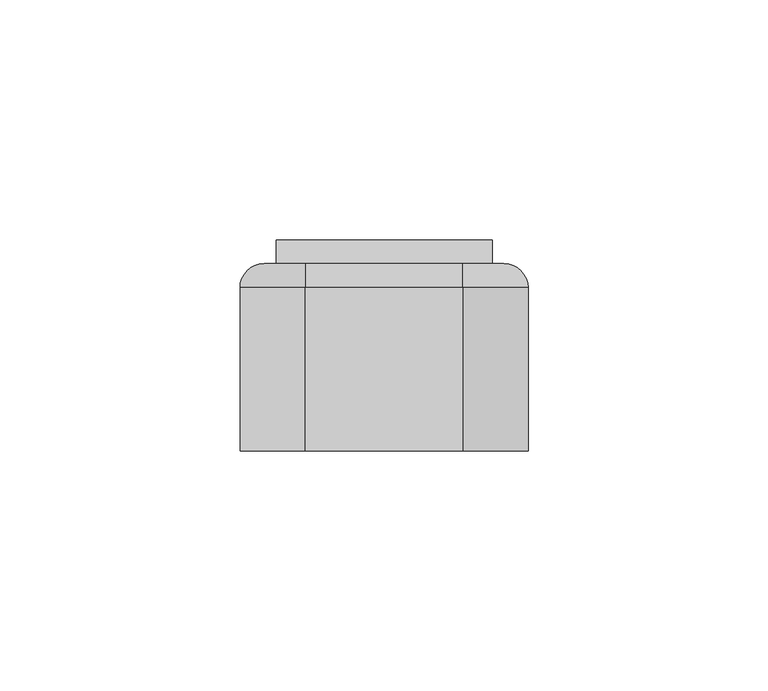
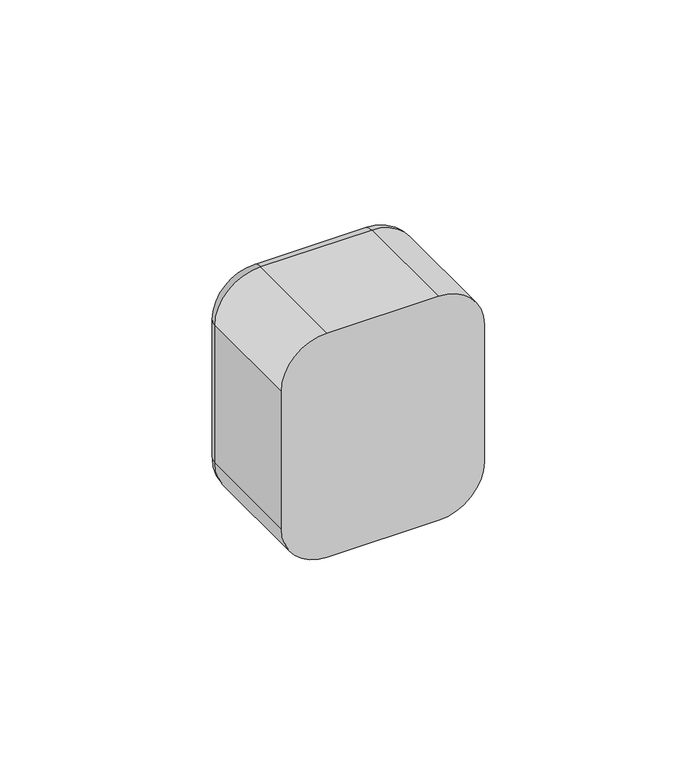
"""IFC4 building model written with IfcOpenShell, lengths in millimetres: switching device geometry."""

from ifc_helpers import new_model, si_unit, point, frame, origin, place, context, project, spatial, polyline, circle_curve, ellipse_curve, trimmed, outline, extrude, source, transform, mapped, element, save
from ifc_brep_helpers import plane_surface, cylinder_surface, revolved_surface, advanced_brep


def switching_device_f3b3c7e1(model_context):
    return source(origin(), model_context, "Body", "SolidModel", [
        advanced_brep(
        [(16.4328665, 39.0, 30.0), (25.0, 39.0, 21.4328665), (25.0, 39.0, -21.4328665), (16.4328665, 39.0, -30.0), (-16.4328665, 39.0, -30.0), (-25.0, 39.0, -21.4328665), (-25.0, 39.0, 21.4328665), (-16.4328665, 39.0, 30.0), (22.5, 39.0, 22.5), (-22.5, 39.0, 22.5), (-22.5, 39.0, -22.5), (22.5, 39.0, -22.5), (-16.4328665, 0.0, 35.0), (-30.0, 0.0, 21.4328665), (-30.0, 0.0, -21.4328665), (-16.4328665, 0.0, -35.0), (16.4328665, 0.0, -35.0), (30.0, 0.0, -21.4328665), (30.0, 0.0, 21.4328665), (16.4328665, 0.0, 35.0), (22.5, 2.0, -22.5), (22.5, 2.0, 22.5), (-22.5, 2.0, -22.5), (-22.5, 2.0, 22.5), (-30.0, 34.0, 21.4328665), (-30.0, 34.0, -21.4328665), (-16.4328665, 34.0, -35.0), (16.4328665, 34.0, -35.0), (30.0, 34.0, -21.4328665), (30.0, 34.0, 21.4328665), (16.4328665, 34.0000072, 35.0), (-16.4328665, 34.0, 35.0)],
        [
            (0, 1, circle_curve(frame((16.4328665, 39.0, 21.4328665), z_axis=(0.0, 1.0, 0.0), x_axis=(0.0, 0.0, 1.0)), 8.5671335)),
            (1, 2),
            (2, 3, circle_curve(frame((16.4328665, 39.0, -21.4328665), z_axis=(0.0, 1.0, 0.0), x_axis=(1.0, 0.0, 0.0)), 8.5671335)),
            (3, 4),
            (4, 5, circle_curve(frame((-16.4328665, 39.0, -21.4328665), z_axis=(0.0, 1.0, 0.0), x_axis=(0.0, 0.0, -1.0)), 8.5671335)),
            (5, 6),
            (6, 7, circle_curve(frame((-16.4328665, 39.0, 21.4328665), z_axis=(0.0, 1.0, 0.0), x_axis=(-1.0, 0.0, 0.0)), 8.5671335)),
            (7, 0),
            (8, 9),
            (9, 10),
            (10, 11),
            (11, 8),
            (12, 13, circle_curve(frame((-16.4328665, 0.0, 21.4328665), z_axis=(0.0, -1.0, 0.0), x_axis=(1.0, 0.0, 0.0)), 13.5671335)),
            (13, 14),
            (14, 15, circle_curve(frame((-16.4328665, 0.0, -21.4328665), z_axis=(0.0, -1.0, 0.0), x_axis=(1.0, 0.0, 0.0)), 13.5671335)),
            (15, 16),
            (16, 17, circle_curve(frame((16.4328665, 0.0, -21.4328665), z_axis=(0.0, -1.0, 0.0), x_axis=(1.0, 0.0, 0.0)), 13.5671335)),
            (17, 18),
            (18, 19, circle_curve(frame((16.4328665, 0.0, 21.4328665), z_axis=(0.0, -1.0, 0.0), x_axis=(1.0, 0.0, 0.0)), 13.5671335)),
            (19, 12),
            (11, 20),
            (20, 21),
            (21, 8),
            (10, 22),
            (22, 20),
            (9, 23),
            (23, 22),
            (21, 23),
            (13, 24),
            (24, 25),
            (25, 14),
            (15, 26),
            (26, 27),
            (27, 16),
            (17, 28),
            (28, 29),
            (29, 18),
            (19, 30),
            (30, 31),
            (31, 12),
            (31, 24, circle_curve(frame((-16.4328665, 34.0, 21.4328665), z_axis=(0.0, -1.0, 0.0), x_axis=(1.0, 0.0, 0.0)), 13.5671335)),
            (25, 26, circle_curve(frame((-16.4328665, 34.0, -21.4328665), z_axis=(0.0, -1.0, 0.0), x_axis=(1.0, 0.0, 0.0)), 13.5671335)),
            (27, 28, circle_curve(frame((16.4328665, 34.0, -21.4328665), z_axis=(0.0, -1.0, 0.0), x_axis=(1.0, 0.0, 0.0)), 13.5671335)),
            (29, 30, circle_curve(frame((16.4328665, 34.0, 21.4328665), z_axis=(0.0, -1.0, 0.0), x_axis=(1.0, 0.0, 0.0)), 13.5671335)),
            (29, 1, circle_curve(frame((25.0, 34.0, 21.4328665), z_axis=(0.0, 0.0, 1.0), x_axis=(0.0, 1.0, 0.0)), 5.0)),
            (0, 30, circle_curve(frame((16.4328665, 34.0, 30.0), z_axis=(1.0, 0.0, 0.0), x_axis=(0.0, 1.0, 0.0)), 5.0)),
            (28, 2, circle_curve(frame((25.0, 34.0, -21.4328665), z_axis=(0.0, 0.0, 1.0), x_axis=(0.0, 1.0, 0.0)), 5.0)),
            (27, 3, circle_curve(frame((16.4328665, 34.0, -30.0), z_axis=(1.0, 0.0, 0.0), x_axis=(0.0, 1.0, 0.0)), 5.0)),
            (26, 4, circle_curve(frame((-16.4328665, 34.0, -30.0), z_axis=(1.0, 0.0, 0.0), x_axis=(0.0, 1.0, 0.0)), 5.0)),
            (25, 5, circle_curve(frame((-25.0, 34.0, -21.4328665), z_axis=(0.0, 0.0, -1.0), x_axis=(0.0, 1.0, 0.0)), 5.0)),
            (24, 6, circle_curve(frame((-25.0, 34.0, 21.4328665), z_axis=(0.0, 0.0, -1.0), x_axis=(0.0, 1.0, 0.0)), 5.0)),
            (31, 7, circle_curve(frame((-16.4328665, 34.0, 30.0), z_axis=(-1.0, 0.0, 0.0), x_axis=(0.0, 1.0, 0.0)), 5.0)),
        ],
        [
            plane_surface(frame((22.5, 39.0, 6.9412233), z_axis=(0.0, 1.0, 0.0), x_axis=(0.0, 0.0, 1.0))),
            plane_surface(frame((22.5, 0.0, 6.9412233), z_axis=(0.0, -1.0, 0.0), x_axis=(0.0, 0.0, -1.0))),
            plane_surface(frame((22.5, 0.0, 22.5), z_axis=(-1.0, 0.0, 0.0), x_axis=(0.0, 1.0, 0.0))),
            plane_surface(frame((22.5, 0.0, -22.5), z_axis=(0.0, 0.0, 1.0), x_axis=(0.0, 1.0, 0.0))),
            plane_surface(frame((-22.5, 0.0, -22.5), z_axis=(1.0, 0.0, 0.0), x_axis=(0.0, 1.0, 0.0))),
            plane_surface(frame((-22.5, 0.0, 22.5), z_axis=(0.0, 0.0, -1.0), x_axis=(0.0, 1.0, 0.0))),
            plane_surface(frame((-30.0, 0.0, 21.4328665), z_axis=(-1.0, 0.0, 0.0), x_axis=(0.0, 1.0, 0.0))),
            plane_surface(frame((-16.4328665, 0.0, -35.0), z_axis=(0.0, 0.0, -1.0), x_axis=(0.0, 1.0, 0.0))),
            plane_surface(frame((30.0, 0.0, -21.4328665), z_axis=(1.0, 0.0, 0.0), x_axis=(0.0, 1.0, 0.0))),
            plane_surface(frame((16.4328665, 0.0, 35.0), z_axis=(0.0, 0.0, 1.0), x_axis=(0.0, 1.0, 0.0))),
            cylinder_surface(frame((-16.4328665, 0.0, 21.4328665), z_axis=(0.0, -1.0, 0.0), x_axis=(1.0, 0.0, 0.0)), 13.5671335),
            cylinder_surface(frame((-16.4328665, 0.0, -21.4328665), z_axis=(0.0, -1.0, 0.0), x_axis=(1.0, 0.0, 0.0)), 13.5671335),
            cylinder_surface(frame((16.4328665, 0.0, -21.4328665), z_axis=(0.0, -1.0, 0.0), x_axis=(1.0, 0.0, 0.0)), 13.5671335),
            cylinder_surface(frame((16.4328665, 0.0, 21.4328665), z_axis=(0.0, -1.0, 0.0), x_axis=(1.0, 0.0, 0.0)), 13.5671335),
            plane_surface(frame((-22.5, 2.0, 31.0), z_axis=(0.0, 1.0, 0.0), x_axis=(0.0, 0.0, 1.0))),
            revolved_surface(trimmed(ellipse_curve(frame((16.4328665, 34.0, 30.0), z_axis=(-1.0, 0.0, 0.0), x_axis=(0.0, 1.0, 0.0)), 5.0, 5.0), [point((16.4328665, 34.0, 35.0))], [point((16.4328665, 39.0, 30.0))], True, "CARTESIAN"), (16.4328665, 39.0, 21.4328665), (0.0, 1.0, 0.0)),
            cylinder_surface(frame((25.0, 34.0, 21.4328665), z_axis=(0.0, 0.0, -1.0), x_axis=(0.0, 1.0, 0.0)), 5.0),
            revolved_surface(trimmed(ellipse_curve(frame((25.0, 34.0, -21.4328665), z_axis=(0.0, 0.0, 1.0), x_axis=(0.0, 1.0, 0.0)), 5.0, 5.0), [point((30.0, 34.0, -21.4328665))], [point((25.0, 39.0, -21.4328665))], True, "CARTESIAN"), (16.4328665, 39.0, -21.4328665), (0.0, 1.0, 0.0)),
            cylinder_surface(frame((16.4328665, 34.0, -30.0), z_axis=(-1.0, 0.0, 0.0), x_axis=(0.0, 1.0, 0.0)), 5.0),
            revolved_surface(trimmed(ellipse_curve(frame((-16.4328665, 34.0, -30.0), z_axis=(1.0, 0.0, 0.0), x_axis=(0.0, 1.0, 0.0)), 5.0, 5.0), [point((-16.4328665, 34.0, -35.0))], [point((-16.4328665, 39.0, -30.0))], True, "CARTESIAN"), (-16.4328665, 39.0, -21.4328665), (0.0, 1.0, 0.0)),
            cylinder_surface(frame((-25.0, 34.0, -21.4328665), z_axis=(0.0, 0.0, 1.0), x_axis=(0.0, 1.0, 0.0)), 5.0),
            revolved_surface(trimmed(ellipse_curve(frame((-25.0, 34.0, 21.4328665), z_axis=(0.0, 0.0, -1.0), x_axis=(0.0, 1.0, 0.0)), 5.0, 5.0), [point((-30.0, 34.0, 21.4328665))], [point((-25.0, 39.0, 21.4328665))], True, "CARTESIAN"), (-16.4328665, 39.0, 21.4328665), (0.0, 1.0, 0.0)),
            cylinder_surface(frame((-16.4328665, 34.0, 30.0), z_axis=(1.0, 0.0, 0.0), x_axis=(0.0, 1.0, 0.0)), 5.0),
        ],
        [
            (0, [[1, 2, 3, 4, 5, 6, 7, 8], [9, 10, 11, 12]]),
            (1, [[13, 14, 15, 16, 17, 18, 19, 20]]),
            (2, [[-12, 21, 22, 23]]),
            (3, [[-11, 24, 25, -21]]),
            (4, [[-10, 26, 27, -24]]),
            (5, [[-9, -23, 28, -26]]),
            (6, [[-14, 29, 30, 31]]),
            (7, [[-16, 32, 33, 34]]),
            (8, [[-18, 35, 36, 37]]),
            (9, [[-20, 38, 39, 40]]),
            (10, [[-13, -40, 41, -29]]),
            (11, [[-15, -31, 42, -32]]),
            (12, [[-17, -34, 43, -35]]),
            (13, [[-19, -37, 44, -38]]),
            (14, [[-22, -25, -27, -28]]),
            (15, [[45, -1, 46, -44]]),
            (16, [[-45, -36, 47, -2]]),
            (17, [[-47, -43, 48, -3]]),
            (18, [[-48, -33, 49, -4]]),
            (19, [[-49, -42, 50, -5]]),
            (20, [[-50, -30, 51, -6]]),
            (21, [[-51, -41, 52, -7]]),
            (22, [[-46, -8, -52, -39]]),
        ],
    ),
        extrude(outline(polyline([(39.0, -22.5), (39.0, 22.5), (43.9850961, 21.9408026), (39.0, -22.5)])), frame((-22.5, 0.0, 0.0), z_axis=(1.0, 0.0, 0.0), x_axis=(0.0, 1.0, 0.0)), (0.0, 0.0, 1.0), 45.0),
        extrude(outline(polyline([(22.5, 2.0), (-22.5, 2.0), (-22.5, 31.0), (22.5, 31.0), (22.5, 2.0)])), frame((0.0, 0.0, -22.5), z_axis=(0.0, 0.0, 1.0), x_axis=(1.0, 0.0, 0.0)), (0.0, 0.0, 1.0), 45.0),
        extrude(outline(polyline([(22.5, 31.0), (-22.5, 31.0), (-22.5, 39.0), (22.5, 39.0), (22.5, 31.0)])), frame((0.0, 0.0, -22.5), z_axis=(0.0, 0.0, 1.0), x_axis=(1.0, 0.0, 0.0)), (0.0, 0.0, 1.0), 45.0),
    ])


if __name__ == "__main__":
    model = new_model("IFC4")
    model_context = context("Model", 3, world=origin())
    ifc_project = project(units=[si_unit("LENGTHUNIT", "METRE", prefix="MILLI")], contexts=[model_context])
    site = spatial("IfcSite", under=ifc_project)
    building = spatial("IfcBuilding", under=site)
    placement = place(None, origin())
    switching_device_shape = switching_device_f3b3c7e1(model_context)
    element("IfcSwitchingDevice", 1, at=placement, inside=building, context=model_context, shape_type="MappedRepresentation", body=[
        mapped(switching_device_shape, transform((0.0, 0.0, 0.0), x_axis=(1.0, 0.0, 0.0), y_axis=(0.0, 1.0, 0.0), z_axis=(0.0, 0.0, 1.0))),
    ])
    save(model, "model.ifc")
